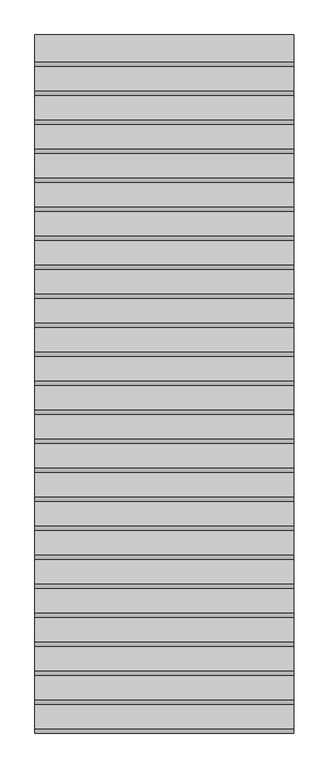
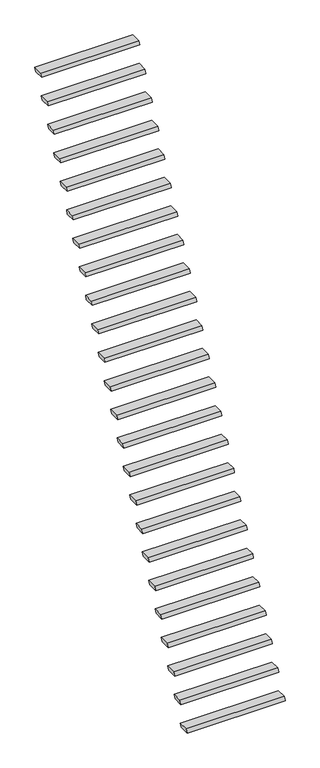
"""IFC4 building model written with IfcOpenShell, lengths in millimetres: stair flight geometry."""

from ifc_helpers import new_model, si_unit, frame, origin, place, context, project, spatial, polyline, outline, extrude, source, transform, mapped, element, save


def stair_flight_c68fc6ec(model_context):
    return source(origin(), model_context, "Body", "SweptSolid", [
        extrude(outline(polyline([(2329.4147102, 242.7470187), (2312.6738536, 206.8461358), (2208.9563292, 206.8461358), (2225.6971858, 242.7470187), (2329.4147102, 242.7470187)])), frame((7945.9879874, 0.0, 0.0), z_axis=(1.0, 0.0, 0.0), x_axis=(0.0, 1.0, 0.0)), (0.0, 0.0, 1.0), 1000.0),
        extrude(outline(polyline([(2441.3147102, 482.7470187), (2424.5738536, 446.8461358), (2320.8563292, 446.8461358), (2337.5971858, 482.7470187), (2441.3147102, 482.7470187)])), frame((7945.9879874, 0.0, 0.0), z_axis=(1.0, 0.0, 0.0), x_axis=(0.0, 1.0, 0.0)), (0.0, 0.0, 1.0), 1000.0),
        extrude(outline(polyline([(2553.2147102, 722.7470187), (2536.4738536, 686.8461358), (2432.7563292, 686.8461358), (2449.4971858, 722.7470187), (2553.2147102, 722.7470187)])), frame((7945.9879874, 0.0, 0.0), z_axis=(1.0, 0.0, 0.0), x_axis=(0.0, 1.0, 0.0)), (0.0, 0.0, 1.0), 1000.0),
        extrude(outline(polyline([(2665.1147102, 962.7470187), (2648.3738536, 926.8461358), (2544.6563292, 926.8461358), (2561.3971858, 962.7470187), (2665.1147102, 962.7470187)])), frame((7945.9879874, 0.0, 0.0), z_axis=(1.0, 0.0, 0.0), x_axis=(0.0, 1.0, 0.0)), (0.0, 0.0, 1.0), 1000.0),
        extrude(outline(polyline([(2777.0147102, 1202.7470187), (2760.2738536, 1166.8461358), (2656.5563292, 1166.8461358), (2673.2971858, 1202.7470187), (2777.0147102, 1202.7470187)])), frame((7945.9879874, 0.0, 0.0), z_axis=(1.0, 0.0, 0.0), x_axis=(0.0, 1.0, 0.0)), (0.0, 0.0, 1.0), 1000.0),
        extrude(outline(polyline([(2888.9147102, 1442.7470187), (2872.1738536, 1406.8461358), (2768.4563292, 1406.8461358), (2785.1971858, 1442.7470187), (2888.9147102, 1442.7470187)])), frame((7945.9879874, 0.0, 0.0), z_axis=(1.0, 0.0, 0.0), x_axis=(0.0, 1.0, 0.0)), (0.0, 0.0, 1.0), 1000.0),
        extrude(outline(polyline([(3000.8147102, 1682.7470187), (2984.0738536, 1646.8461358), (2880.3563292, 1646.8461358), (2897.0971858, 1682.7470187), (3000.8147102, 1682.7470187)])), frame((7945.9879874, 0.0, 0.0), z_axis=(1.0, 0.0, 0.0), x_axis=(0.0, 1.0, 0.0)), (0.0, 0.0, 1.0), 1000.0),
        extrude(outline(polyline([(3112.7147102, 1922.7470187), (3095.9738536, 1886.8461358), (2992.2563292, 1886.8461358), (3008.9971858, 1922.7470187), (3112.7147102, 1922.7470187)])), frame((7945.9879874, 0.0, 0.0), z_axis=(1.0, 0.0, 0.0), x_axis=(0.0, 1.0, 0.0)), (0.0, 0.0, 1.0), 1000.0),
        extrude(outline(polyline([(3224.6147102, 2162.7470187), (3207.8738536, 2126.8461358), (3104.1563292, 2126.8461358), (3120.8971858, 2162.7470187), (3224.6147102, 2162.7470187)])), frame((7945.9879874, 0.0, 0.0), z_axis=(1.0, 0.0, 0.0), x_axis=(0.0, 1.0, 0.0)), (0.0, 0.0, 1.0), 1000.0),
        extrude(outline(polyline([(3336.5147102, 2402.7470187), (3319.7738536, 2366.8461358), (3216.0563292, 2366.8461358), (3232.7971858, 2402.7470187), (3336.5147102, 2402.7470187)])), frame((7945.9879874, 0.0, 0.0), z_axis=(1.0, 0.0, 0.0), x_axis=(0.0, 1.0, 0.0)), (0.0, 0.0, 1.0), 1000.0),
        extrude(outline(polyline([(3448.4147102, 2642.7470187), (3431.6738536, 2606.8461358), (3327.9563292, 2606.8461358), (3344.6971858, 2642.7470187), (3448.4147102, 2642.7470187)])), frame((7945.9879874, 0.0, 0.0), z_axis=(1.0, 0.0, 0.0), x_axis=(0.0, 1.0, 0.0)), (0.0, 0.0, 1.0), 1000.0),
        extrude(outline(polyline([(3560.3147102, 2882.7470187), (3543.5738536, 2846.8461358), (3439.8563292, 2846.8461358), (3456.5971858, 2882.7470187), (3560.3147102, 2882.7470187)])), frame((7945.9879874, 0.0, 0.0), z_axis=(1.0, 0.0, 0.0), x_axis=(0.0, 1.0, 0.0)), (0.0, 0.0, 1.0), 1000.0),
        extrude(outline(polyline([(3672.2147102, 3122.7470187), (3655.4738536, 3086.8461358), (3551.7563292, 3086.8461358), (3568.4971858, 3122.7470187), (3672.2147102, 3122.7470187)])), frame((7945.9879874, 0.0, 0.0), z_axis=(1.0, 0.0, 0.0), x_axis=(0.0, 1.0, 0.0)), (0.0, 0.0, 1.0), 1000.0),
        extrude(outline(polyline([(3784.1147102, 3362.7470187), (3767.3738536, 3326.8461358), (3663.6563292, 3326.8461358), (3680.3971858, 3362.7470187), (3784.1147102, 3362.7470187)])), frame((7945.9879874, 0.0, 0.0), z_axis=(1.0, 0.0, 0.0), x_axis=(0.0, 1.0, 0.0)), (0.0, 0.0, 1.0), 1000.0),
        extrude(outline(polyline([(3896.0147102, 3602.7470187), (3879.2738536, 3566.8461358), (3775.5563292, 3566.8461358), (3792.2971858, 3602.7470187), (3896.0147102, 3602.7470187)])), frame((7945.9879874, 0.0, 0.0), z_axis=(1.0, 0.0, 0.0), x_axis=(0.0, 1.0, 0.0)), (0.0, 0.0, 1.0), 1000.0),
        extrude(outline(polyline([(4007.9147102, 3842.7470187), (3991.1738536, 3806.8461358), (3887.4563292, 3806.8461358), (3904.1971858, 3842.7470187), (4007.9147102, 3842.7470187)])), frame((7945.9879874, 0.0, 0.0), z_axis=(1.0, 0.0, 0.0), x_axis=(0.0, 1.0, 0.0)), (0.0, 0.0, 1.0), 1000.0),
        extrude(outline(polyline([(4119.8147102, 4082.7470187), (4103.0738536, 4046.8461358), (3999.3563292, 4046.8461358), (4016.0971858, 4082.7470187), (4119.8147102, 4082.7470187)])), frame((7945.9879874, 0.0, 0.0), z_axis=(1.0, 0.0, 0.0), x_axis=(0.0, 1.0, 0.0)), (0.0, 0.0, 1.0), 1000.0),
        extrude(outline(polyline([(4231.7147102, 4322.7470187), (4214.9738536, 4286.8461358), (4111.2563292, 4286.8461358), (4127.9971858, 4322.7470187), (4231.7147102, 4322.7470187)])), frame((7945.9879874, 0.0, 0.0), z_axis=(1.0, 0.0, 0.0), x_axis=(0.0, 1.0, 0.0)), (0.0, 0.0, 1.0), 1000.0),
        extrude(outline(polyline([(4343.6147102, 4562.7470187), (4326.8738536, 4526.8461358), (4223.1563292, 4526.8461358), (4239.8971858, 4562.7470187), (4343.6147102, 4562.7470187)])), frame((7945.9879874, 0.0, 0.0), z_axis=(1.0, 0.0, 0.0), x_axis=(0.0, 1.0, 0.0)), (0.0, 0.0, 1.0), 1000.0),
        extrude(outline(polyline([(4455.5147102, 4802.7470187), (4438.7738536, 4766.8461358), (4335.0563292, 4766.8461358), (4351.7971858, 4802.7470187), (4455.5147102, 4802.7470187)])), frame((7945.9879874, 0.0, 0.0), z_axis=(1.0, 0.0, 0.0), x_axis=(0.0, 1.0, 0.0)), (0.0, 0.0, 1.0), 1000.0),
        extrude(outline(polyline([(4567.4147102, 5042.7470187), (4550.6738536, 5006.8461358), (4446.9563292, 5006.8461358), (4463.6971858, 5042.7470187), (4567.4147102, 5042.7470187)])), frame((7945.9879874, 0.0, 0.0), z_axis=(1.0, 0.0, 0.0), x_axis=(0.0, 1.0, 0.0)), (0.0, 0.0, 1.0), 1000.0),
        extrude(outline(polyline([(4679.3147102, 5282.7470187), (4662.5738536, 5246.8461358), (4558.8563292, 5246.8461358), (4575.5971858, 5282.7470187), (4679.3147102, 5282.7470187)])), frame((7945.9879874, 0.0, 0.0), z_axis=(1.0, 0.0, 0.0), x_axis=(0.0, 1.0, 0.0)), (0.0, 0.0, 1.0), 1000.0),
        extrude(outline(polyline([(4791.2147102, 5522.7470187), (4774.4738536, 5486.8461358), (4670.7563292, 5486.8461358), (4687.4971858, 5522.7470187), (4791.2147102, 5522.7470187)])), frame((7945.9879874, 0.0, 0.0), z_axis=(1.0, 0.0, 0.0), x_axis=(0.0, 1.0, 0.0)), (0.0, 0.0, 1.0), 1000.0),
        extrude(outline(polyline([(4903.1147102, 5762.7470187), (4886.3738536, 5726.8461358), (4782.6563292, 5726.8461358), (4799.3971858, 5762.7470187), (4903.1147102, 5762.7470187)])), frame((7945.9879874, 0.0, 0.0), z_axis=(1.0, 0.0, 0.0), x_axis=(0.0, 1.0, 0.0)), (0.0, 0.0, 1.0), 1000.0),
    ])


if __name__ == "__main__":
    model = new_model("IFC4")
    model_context = context("Model", 3, world=origin())
    ifc_project = project(units=[si_unit("LENGTHUNIT", "METRE", prefix="MILLI")], contexts=[model_context])
    site = spatial("IfcSite", under=ifc_project)
    building = spatial("IfcBuilding", under=site)
    placement = place(None, origin())
    stair_flight_shape = stair_flight_c68fc6ec(model_context)
    element("IfcStairFlight", 1, at=placement, inside=building, context=model_context, shape_type="MappedRepresentation", body=[
        mapped(stair_flight_shape, transform((0.0, 0.0, 0.0), x_axis=(1.0, 0.0, 0.0), y_axis=(0.0, 1.0, 0.0), z_axis=(0.0, 0.0, 1.0))),
    ])
    save(model, "model.ifc")
